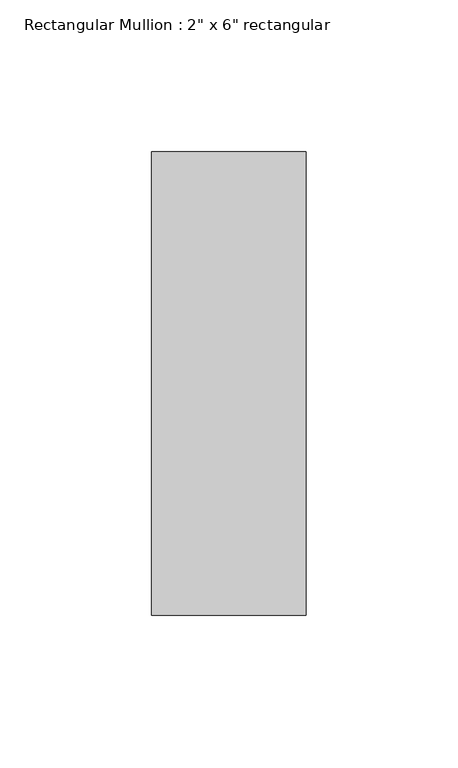
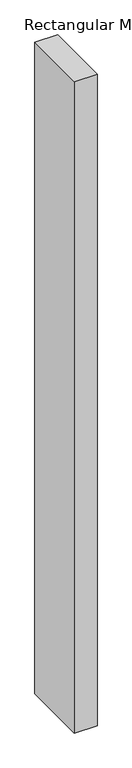
"""IFC4 building model written with IfcOpenShell, lengths in millimetres: member geometry."""

from ifc_helpers import new_model, si_unit, frame, origin, place, context, project, spatial, polyline, outline, extrude, source, transform, mapped, element, save


def member_2c159029(model_context):
    return source(origin(), model_context, "Body", "SweptSolid", [
        extrude(outline(polyline([(0.0, 76.2), (0.0, -76.2), (-50.8, -76.2), (-50.8, 76.2), (0.0, 76.2)])), frame((0.0, 0.0, -1539.24), z_axis=(0.0, 0.0, 1.0), x_axis=(1.0, 0.0, 0.0)), (0.0, 0.0, 1.0), 1539.24),
    ])


if __name__ == "__main__":
    model = new_model("IFC4")
    model_context = context("Model", 3, world=origin())
    ifc_project = project(units=[si_unit("LENGTHUNIT", "METRE", prefix="MILLI")], contexts=[model_context])
    site = spatial("IfcSite", under=ifc_project)
    building = spatial("IfcBuilding", under=site)
    placement = place(None, origin())
    member_shape = member_2c159029(model_context)
    element("IfcMember", 1, ObjectType="Rectangular Mullion : 2\" x 6\" rectangular", at=placement, inside=building, context=model_context, shape_type="MappedRepresentation", body=[
        mapped(member_shape, transform((0.0, 0.0, 0.0), x_axis=(1.0, 0.0, 0.0), y_axis=(0.0, 1.0, 0.0), z_axis=(0.0, 0.0, 1.0))),
    ])
    save(model, "model.ifc")
